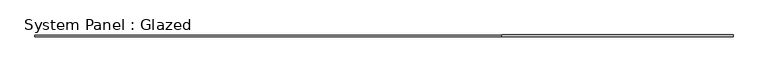
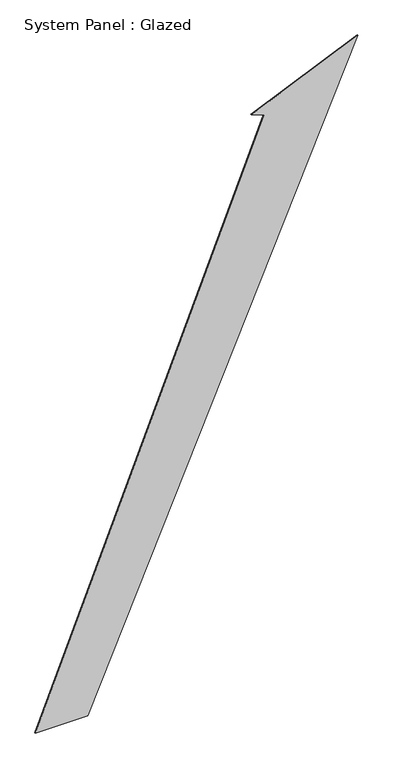
"""IFC4 building model written with IfcOpenShell, lengths in millimetres: plate geometry, System Panel : Glazed."""

from ifc_helpers import new_model, si_unit, frame, origin, place, context, project, spatial, polyline, outline, extrude, source, transform, mapped, element, save


def system_panel_glazed_cceb9131(model_context):
    return source(origin(), model_context, "Body", "SweptSolid", [
        extrude(outline(polyline([(0.0, -4826.3101774), (0.0, -3262.7972559), (18694.8915649, 4826.3101774), (17298.0874081, 1630.6688082), (17150.118689, 2002.2939663), (0.0, -4826.3101774)])), frame((0.0, -77.5, 0.0), z_axis=(0.0, 1.0, 0.0), x_axis=(0.0, 0.0, 1.0)), (0.0, 0.0, 1.0), 25.0),
    ])


if __name__ == "__main__":
    model = new_model("IFC4")
    model_context = context("Model", 3, world=origin())
    ifc_project = project(units=[si_unit("LENGTHUNIT", "METRE", prefix="MILLI")], contexts=[model_context])
    site = spatial("IfcSite", under=ifc_project)
    building = spatial("IfcBuilding", under=site)
    placement = place(None, origin())
    system_panel_glazed_shape = system_panel_glazed_cceb9131(model_context)
    element("IfcPlate", 1, ObjectType="System Panel : Glazed", at=placement, inside=building, context=model_context, shape_type="MappedRepresentation", body=[
        mapped(system_panel_glazed_shape, transform((0.0, 0.0, 0.0), x_axis=(1.0, 0.0, 0.0), y_axis=(0.0, 1.0, 0.0), z_axis=(0.0, 0.0, 1.0))),
    ])
    save(model, "model.ifc")
